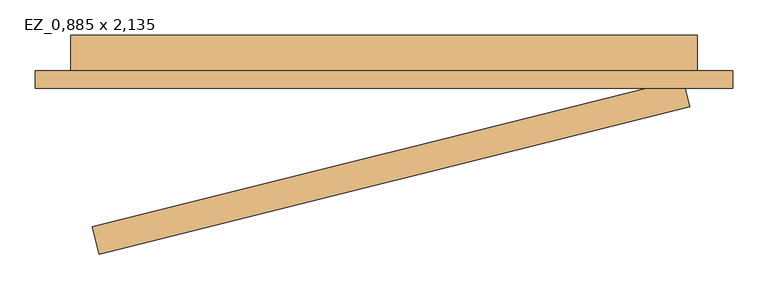
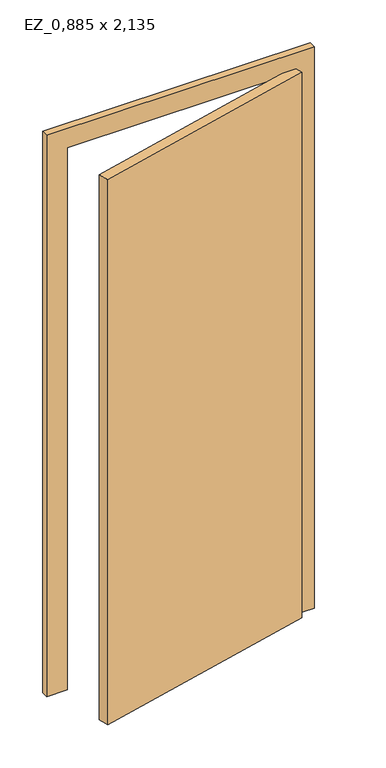
"""IFC4 building model written with IfcOpenShell, lengths in millimetres: door geometry, EZ_0,885 x 2,135."""

from ifc_helpers import new_model, si_unit, origin, origin_with_axes, place, context, project, spatial, polyline, outline, extrude, faceted_brep, source, transform, mapped, element, save


def ez_0_885_x_2_135_573fc02f(model_context):
    return source(origin(), model_context, "Body", "SolidModel", [
        extrude(outline(polyline([(431.9693295, -138.5256744), (-402.4849951, -346.5785046), (-412.161871, -307.7666755), (422.2924536, -99.7138453), (431.9693295, -138.5256744)])), origin_with_axes(), (0.0, 0.0, 1.0), 2122.0),
        faceted_brep([(-492.5, -112.5, 0.0), (-492.5, -87.5, 0.0), (-442.5, -87.5, 0.0), (-442.5, -37.5, 0.0), (-417.5, -37.5, 0.0), (-417.5, -112.5, 0.0), (-417.5, -112.5, 2110.0), (417.5, -112.5, 2110.0), (417.5, -112.5, 0.0), (492.5, -112.5, 0.0), (492.5, -112.5, 2185.0), (-492.5, -112.5, 2185.0), (-417.5, -37.5, 2110.0), (-442.5, -37.5, 2135.0), (442.5, -37.5, 2135.0), (442.5, -37.5, 0.0), (417.5, -37.5, 0.0), (417.5, -37.5, 2110.0), (-442.5, -87.5, 2135.0), (-492.5, -87.5, 2185.0), (492.5, -87.5, 2185.0), (492.5, -87.5, 0.0), (442.5, -87.5, 0.0), (442.5, -87.5, 2135.0)], [[[0, 1, 2, 3, 4, 5]], [[5, 6, 7, 8, 9, 10, 11, 0]], [[4, 12, 6, 5]], [[3, 13, 14, 15, 16, 17, 12, 4]], [[2, 18, 13, 3]], [[1, 19, 20, 21, 22, 23, 18, 2]], [[0, 11, 19, 1]], [[9, 8, 16, 15, 22, 21]], [[10, 9, 21, 20]], [[23, 22, 15, 14]], [[17, 16, 8, 7]], [[12, 17, 7, 6]], [[18, 23, 14, 13]], [[11, 10, 20, 19]]]),
    ])


if __name__ == "__main__":
    model = new_model("IFC4")
    model_context = context("Model", 3, world=origin())
    ifc_project = project(units=[si_unit("LENGTHUNIT", "METRE", prefix="MILLI")], contexts=[model_context])
    site = spatial("IfcSite", under=ifc_project)
    building = spatial("IfcBuilding", under=site)
    placement = place(None, origin())
    ez_0_885_x_2_135_shape = ez_0_885_x_2_135_573fc02f(model_context)
    element("IfcDoor", 1, ObjectType="EZ_0,885 x 2,135", at=placement, inside=building, context=model_context, shape_type="MappedRepresentation", body=[
        mapped(ez_0_885_x_2_135_shape, transform((0.0, 0.0, 0.0), x_axis=(1.0, 0.0, 0.0), y_axis=(0.0, 1.0, 0.0), z_axis=(0.0, 0.0, 1.0))),
    ])
    save(model, "model.ifc")
